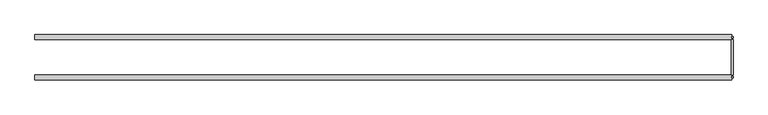
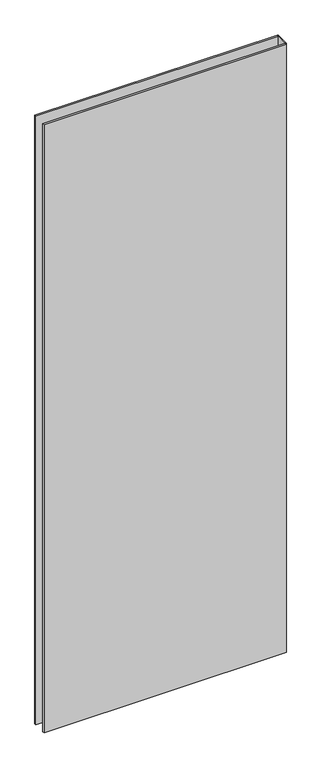
"""IFC4 building model written with IfcOpenShell, lengths in millimetres: plate geometry."""

import ifcopenshell
import ifcopenshell.guid

model = None  # the IFC model being written
_history = None  # IfcOwnerHistory: only IFC2X3 demands one
_inside = {}  # id of a spatial element -> (the spatial element, [elements in it])
_under = {}  # id of a project, library or spatial element -> (it, [spatial elements below it])
_declared = {}  # id of a project -> (the project, [libraries it declares])
_typed = {}  # id of a type object -> (the type object, [elements of that type])
_made_of = {}  # id of a material, layer set ... -> (it, [elements and type objects made of it])


def new_model(schema):
    """Start an empty IFC model of exactly this schema.

    Asked for "IFC4X3", IfcOpenShell would pick the latest addendum, in which some entities
    have other attributes; the version numbers below select the first issue.
    IFC2X3 requires an IfcOwnerHistory on every rooted entity: one is made here for all.
    """
    global model, _history
    if schema == "IFC4X3":
        model = ifcopenshell.file(schema_version=(4, 3, 0, 0))
    else:
        model = ifcopenshell.file(schema=schema)
    _inside.clear()
    _under.clear()
    _declared.clear()
    _typed.clear()
    _made_of.clear()
    _history = None
    if model.schema == "IFC2X3":
        org = make("IfcOrganization", Name="unknown")
        user = make(
            "IfcPersonAndOrganization",
            ThePerson=make("IfcPerson", FamilyName="unknown"),
            TheOrganization=org,
        )
        app = make(
            "IfcApplication",
            ApplicationDeveloper=org,
            Version="unknown",
            ApplicationFullName="unknown",
            ApplicationIdentifier="unknown",
        )
        _history = make(
            "IfcOwnerHistory",
            OwningUser=user,
            OwningApplication=app,
            ChangeAction="ADDED",
            CreationDate=0,
        )
    return model


def make(cls, **values):
    """One entity of the class cls with the attributes given. An attribute that is None is left unset."""
    return model.create_entity(
        cls, **{name: value for name, value in values.items() if value is not None}
    )


def rooted(cls, **values):
    """An entity with a GlobalId (a new one), such as an element, a storey or a relation."""
    return make(cls, GlobalId=ifcopenshell.guid.new(), OwnerHistory=_history, **values)


def si_unit(unit_type, name, prefix=None):
    """IfcSIUnit, for example si_unit("LENGTHUNIT", "METRE", prefix="MILLI")."""
    return make("IfcSIUnit", UnitType=unit_type, Prefix=prefix, Name=name)


def assignment(units):
    """IfcUnitAssignment: the units of a project."""
    return None if units is None else make("IfcUnitAssignment", Units=units)


def point(xyz):
    """IfcCartesianPoint."""
    return None if xyz is None else make("IfcCartesianPoint", Coordinates=xyz)


def direction(xyz):
    """IfcDirection."""
    return None if xyz is None else make("IfcDirection", DirectionRatios=xyz)


def frame(location, z_axis=None, x_axis=None):
    """IfcAxis2Placement3D, a coordinate frame: its origin and axes. An axis left out is left unset."""
    return make(
        "IfcAxis2Placement3D",
        Location=point(location),
        Axis=direction(z_axis),
        RefDirection=direction(x_axis),
    )


def origin():
    """The frame at (0, 0, 0) with its axes left unset."""
    return frame((0.0, 0.0, 0.0))


def origin_with_axes():
    """The frame at (0, 0, 0) with the z axis (0, 0, 1) and the x axis (1, 0, 0) written out."""
    return frame((0.0, 0.0, 0.0), z_axis=(0.0, 0.0, 1.0), x_axis=(1.0, 0.0, 0.0))


def place(relative_to, where):
    """IfcLocalPlacement: puts the frame where relative to a parent placement (None: the world)."""
    return make(
        "IfcLocalPlacement", PlacementRelTo=relative_to, RelativePlacement=where
    )


def context(
    kind, dimensions, precision=None, world=None, true_north=None, identifier=None
):
    """IfcGeometricRepresentationContext, for example the 3D "Model" context."""
    return make(
        "IfcGeometricRepresentationContext",
        ContextIdentifier=identifier,
        ContextType=kind,
        CoordinateSpaceDimension=dimensions,
        Precision=precision,
        WorldCoordinateSystem=world,
        TrueNorth=true_north,
    )


def project(units=None, contexts=None):
    """IfcProject with its units and contexts."""
    return rooted(
        "IfcProject",
        Name="project",
        RepresentationContexts=contexts,
        UnitsInContext=assignment(units),
    )


def spatial(cls, under=None, at=None, **own):
    """A site, building, storey or space (cls), placed at a placement, below another one or the project."""
    s = rooted(cls, ObjectPlacement=at, **own)
    if under is not None:
        _under.setdefault(under.id(), (under, []))[1].append(s)
    return s


def polyline(points):
    """IfcPolyline through the points."""
    return make("IfcPolyline", Points=[point(p) for p in points])


def outline(outer, holes=None, kind="AREA"):
    """IfcArbitraryClosedProfileDef: a profile drawn as a closed curve; with holes, ...WithVoids."""
    if holes is None:
        return make("IfcArbitraryClosedProfileDef", ProfileType=kind, OuterCurve=outer)
    return make(
        "IfcArbitraryProfileDefWithVoids",
        ProfileType=kind,
        OuterCurve=outer,
        InnerCurves=holes,
    )


def extrude(swept, where, along, depth):
    """IfcExtrudedAreaSolid: the profile swept, set in the frame where, extruded along a direction by depth."""
    return make(
        "IfcExtrudedAreaSolid",
        SweptArea=swept,
        Position=where,
        ExtrudedDirection=direction(along),
        Depth=depth,
    )


def shape(context_of_items, identifier, shape_type, items):
    """IfcShapeRepresentation: the items that make up one representation, for example the "Body"."""
    return make(
        "IfcShapeRepresentation",
        ContextOfItems=context_of_items,
        RepresentationIdentifier=identifier,
        RepresentationType=shape_type,
        Items=items,
    )


def source(mapping_origin, context_of_items, identifier, shape_type, items):
    """IfcRepresentationMap: a shape defined once, which mapped items show again and again."""
    return make(
        "IfcRepresentationMap",
        MappingOrigin=mapping_origin,
        MappedRepresentation=shape(context_of_items, identifier, shape_type, items),
    )


def transform(
    local_origin,
    x_axis=None,
    y_axis=None,
    z_axis=None,
    scale=None,
    scale2=None,
    scale3=None,
    uniform=True,
):
    """IfcCartesianTransformationOperator3D, or its non-uniform kind. x_axis, y_axis, z_axis: its Axis1, 2, 3."""
    if uniform:
        return make(
            "IfcCartesianTransformationOperator3D",
            Axis1=direction(x_axis),
            Axis2=direction(y_axis),
            LocalOrigin=point(local_origin),
            Scale=scale,
            Axis3=direction(z_axis),
        )
    return make(
        "IfcCartesianTransformationOperator3DnonUniform",
        Axis1=direction(x_axis),
        Axis2=direction(y_axis),
        LocalOrigin=point(local_origin),
        Scale=scale,
        Axis3=direction(z_axis),
        Scale2=scale2,
        Scale3=scale3,
    )


def mapped(mapping_source, mapping_target):
    """IfcMappedItem: shows the shape of a source again, moved by a transform."""
    return make(
        "IfcMappedItem", MappingSource=mapping_source, MappingTarget=mapping_target
    )


def made_of(thing, what):
    """Note that an element or type object is made of a material, layer set ...; save() writes the relation."""
    if what is not None:
        _made_of.setdefault(what.id(), (what, []))[1].append(thing)
    return thing


def element(
    cls,
    number,
    at=None,
    inside=None,
    cuts=None,
    type_object=None,
    material=None,
    context=None,
    identifier="Body",
    shape_type=None,
    held_by="IfcProductDefinitionShape",
    body=None,
    shapes=None,
    **own,
):
    """One element of the class cls, such as IfcWall. Its Tag is "e" and its number.

    at: its placement. inside: the storey or other place that contains it. cuts: it is an
    opening in that element (IfcRelVoidsElement). A single representation is given by context,
    identifier, shape_type and body (its items); several are given by shapes. held_by: the class
    of the entity that holds the representations. save() writes the other relations.
    """
    e = rooted(cls, Tag="e%d" % number, ObjectPlacement=at, **own)
    if body is not None:
        shapes = [shape(context, identifier, shape_type, body)]
    if shapes is not None:
        e.Representation = make(held_by, Representations=shapes)
    if inside is not None:
        _inside.setdefault(inside.id(), (inside, []))[1].append(e)
    if cuts is not None:
        rooted(
            "IfcRelVoidsElement", RelatingBuildingElement=cuts, RelatedOpeningElement=e
        )
    if type_object is not None:
        _typed.setdefault(type_object.id(), (type_object, []))[1].append(e)
    return made_of(e, material)


def aggregate(whole, parts):
    """IfcRelAggregates: a whole, such as a stair, and the parts it consists of."""
    return rooted("IfcRelAggregates", RelatingObject=whole, RelatedObjects=parts)


def save(model, path):
    """Write the relations noted so far, then the file.

    IfcRelAggregates (storeys below a building ...), IfcRelContainedInSpatialStructure (elements
    in a storey), IfcRelDefinesByType, IfcRelAssociatesMaterial and IfcRelDeclares: one each for
    every whole, place, type object, material and project.
    """
    for whole, parts in _under.values():
        aggregate(whole, parts)
    for where, things in _inside.values():
        rooted(
            "IfcRelContainedInSpatialStructure",
            RelatedElements=things,
            RelatingStructure=where,
        )
    for kind, things in _typed.values():
        rooted("IfcRelDefinesByType", RelatedObjects=things, RelatingType=kind)
    for what, things in _made_of.values():
        rooted("IfcRelAssociatesMaterial", RelatedObjects=things, RelatingMaterial=what)
    for by, libraries in _declared.values():
        rooted("IfcRelDeclares", RelatingContext=by, RelatedDefinitions=libraries)
    model.write(path)


def plate_3415ec1a(model_context):
    return source(origin(), model_context, "Body", "SweptSolid", [
        extrude(outline(polyline([(551.1250001, 27.7), (551.1250001, -27.7), (548.1250001, -27.7), (548.1250001, 27.7), (551.1250001, 27.7)])), origin_with_axes(), (0.0, 0.0, 1.0), 2915.0),
        extrude(outline(polyline([(549.1250001, 32.7), (551.1250001, 32.7), (551.1250001, 30.7), (549.1250001, 30.7), (549.1250001, 32.7)])), origin_with_axes(), (0.0, 0.0, 1.0), 2915.0),
        extrude(outline(polyline([(551.1250001, -30.7), (551.1250001, -32.7), (549.1250001, -32.7), (549.1250001, -30.7), (551.1250001, -30.7)])), origin_with_axes(), (0.0, 0.0, 1.0), 2915.0),
        extrude(outline(polyline([(549.1250001, 27.7), (-551.1250001, 27.7), (-551.1250001, 35.7), (549.1250001, 35.7), (549.1250001, 27.7)])), origin_with_axes(), (0.0, 0.0, 1.0), 2915.0),
        extrude(outline(polyline([(-551.1250001, -35.7), (-551.1250001, -27.7), (549.1250001, -27.7), (549.1250001, -35.7), (-551.1250001, -35.7)])), origin_with_axes(), (0.0, 0.0, 1.0), 2915.0),
    ])


if __name__ == "__main__":
    model = new_model("IFC4")
    model_context = context("Model", 3, world=origin())
    ifc_project = project(units=[si_unit("LENGTHUNIT", "METRE", prefix="MILLI")], contexts=[model_context])
    site = spatial("IfcSite", under=ifc_project)
    building = spatial("IfcBuilding", under=site)
    placement = place(None, origin())
    plate_shape = plate_3415ec1a(model_context)
    element("IfcPlate", 1, at=placement, inside=building, context=model_context, shape_type="MappedRepresentation", body=[
        mapped(plate_shape, transform((0.0, 0.0, 0.0), x_axis=(1.0, 0.0, 0.0), y_axis=(0.0, 1.0, 0.0), z_axis=(0.0, 0.0, 1.0))),
    ])
    save(model, "model.ifc")
